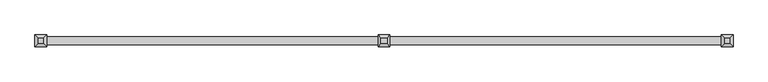
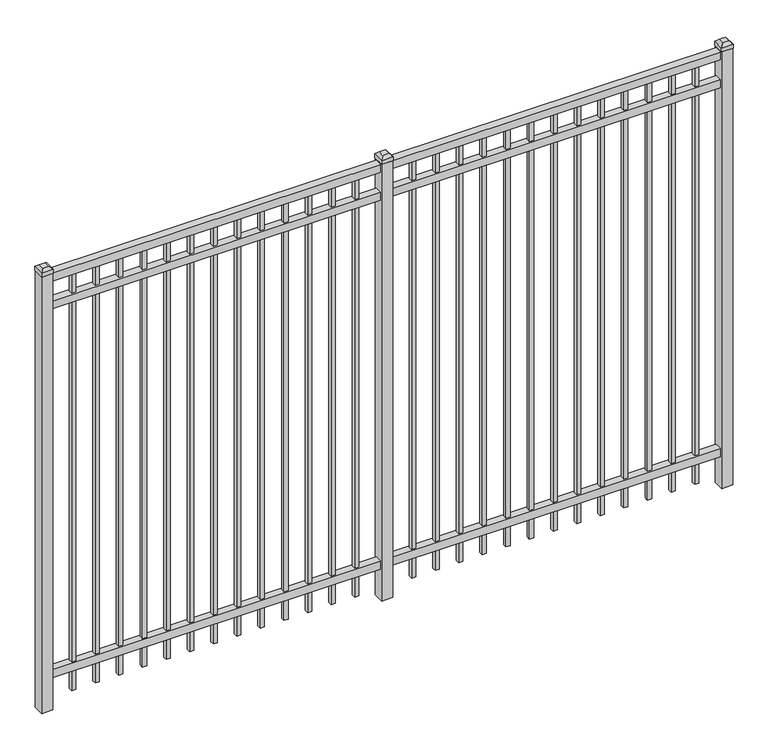
"""IFC4 building model written with IfcOpenShell, lengths in millimetres: railing geometry."""

from ifc_helpers import new_model, si_unit, frame, origin, origin_with_axes, place, context, project, spatial, polyline, outline, extrude, faceted_brep, source, transform, mapped, element, save


def railing_bd2c00b3(model_context):
    return source(origin(), model_context, "Body", "SolidModel", [
        extrude(outline(polyline([(-61345.318087, -3091.1195174), (-61345.318087, -3056.1945174), (-58195.718087, -3056.1945174), (-58195.718087, -3091.1195174), (-61345.318087, -3091.1195174)])), frame((0.0, 0.0, 2095.5), z_axis=(0.0, 0.0, 1.0), x_axis=(1.0, 0.0, 0.0)), (0.0, 0.0, 1.0), 38.1),
        extrude(outline(polyline([(-61345.318087, -3091.1195174), (-61345.318087, -3056.1945174), (-58195.718087, -3056.1945174), (-58195.718087, -3091.1195174), (-61345.318087, -3091.1195174)])), frame((0.0, 0.0, 1958.975), z_axis=(0.0, 0.0, 1.0), x_axis=(1.0, 0.0, 0.0)), (0.0, 0.0, 1.0), 38.1),
        extrude(outline(polyline([(-61345.318087, -3091.1195174), (-61345.318087, -3056.1945174), (-58195.718087, -3056.1945174), (-58195.718087, -3091.1195174), (-61345.318087, -3091.1195174)])), frame((0.0, 0.0, 152.4), z_axis=(0.0, 0.0, 1.0), x_axis=(1.0, 0.0, 0.0)), (0.0, 0.0, 1.0), 38.1),
        extrude(outline(polyline([(-58427.2285036, -3064.1320174), (-58427.2285036, -3083.1820174), (-58446.2785036, -3083.1820174), (-58446.2785036, -3064.1320174), (-58427.2285036, -3064.1320174)])), frame((0.0, 0.0, 50.8), z_axis=(0.0, 0.0, 1.0), x_axis=(1.0, 0.0, 0.0)), (0.0, 0.0, 1.0), 2044.7),
        extrude(outline(polyline([(-58536.5014203, -3064.1320174), (-58536.5014203, -3083.1820174), (-58555.5514203, -3083.1820174), (-58555.5514203, -3064.1320174), (-58536.5014203, -3064.1320174)])), frame((0.0, 0.0, 50.8), z_axis=(0.0, 0.0, 1.0), x_axis=(1.0, 0.0, 0.0)), (0.0, 0.0, 1.0), 2044.7),
        extrude(outline(polyline([(-58645.774337, -3064.1320174), (-58645.774337, -3083.1820174), (-58664.824337, -3083.1820174), (-58664.824337, -3064.1320174), (-58645.774337, -3064.1320174)])), frame((0.0, 0.0, 50.8), z_axis=(0.0, 0.0, 1.0), x_axis=(1.0, 0.0, 0.0)), (0.0, 0.0, 1.0), 2044.7),
        extrude(outline(polyline([(-58755.0472536, -3064.1320174), (-58755.0472536, -3083.1820174), (-58774.0972536, -3083.1820174), (-58774.0972536, -3064.1320174), (-58755.0472536, -3064.1320174)])), frame((0.0, 0.0, 50.8), z_axis=(0.0, 0.0, 1.0), x_axis=(1.0, 0.0, 0.0)), (0.0, 0.0, 1.0), 2044.7),
        extrude(outline(polyline([(-58864.3201703, -3064.1320174), (-58864.3201703, -3083.1820174), (-58883.3701703, -3083.1820174), (-58883.3701703, -3064.1320174), (-58864.3201703, -3064.1320174)])), frame((0.0, 0.0, 50.8), z_axis=(0.0, 0.0, 1.0), x_axis=(1.0, 0.0, 0.0)), (0.0, 0.0, 1.0), 2044.7),
        extrude(outline(polyline([(-58973.593087, -3064.1320174), (-58973.593087, -3083.1820174), (-58992.643087, -3083.1820174), (-58992.643087, -3064.1320174), (-58973.593087, -3064.1320174)])), frame((0.0, 0.0, 50.8), z_axis=(0.0, 0.0, 1.0), x_axis=(1.0, 0.0, 0.0)), (0.0, 0.0, 1.0), 2044.7),
        extrude(outline(polyline([(-59082.8660036, -3064.1320174), (-59082.8660036, -3083.1820174), (-59101.9160036, -3083.1820174), (-59101.9160036, -3064.1320174), (-59082.8660036, -3064.1320174)])), frame((0.0, 0.0, 50.8), z_axis=(0.0, 0.0, 1.0), x_axis=(1.0, 0.0, 0.0)), (0.0, 0.0, 1.0), 2044.7),
        extrude(outline(polyline([(-59192.1389203, -3064.1320174), (-59192.1389203, -3083.1820174), (-59211.1889203, -3083.1820174), (-59211.1889203, -3064.1320174), (-59192.1389203, -3064.1320174)])), frame((0.0, 0.0, 50.8), z_axis=(0.0, 0.0, 1.0), x_axis=(1.0, 0.0, 0.0)), (0.0, 0.0, 1.0), 2044.7),
        extrude(outline(polyline([(-59301.411837, -3064.1320174), (-59301.411837, -3083.1820174), (-59320.461837, -3083.1820174), (-59320.461837, -3064.1320174), (-59301.411837, -3064.1320174)])), frame((0.0, 0.0, 50.8), z_axis=(0.0, 0.0, 1.0), x_axis=(1.0, 0.0, 0.0)), (0.0, 0.0, 1.0), 2044.7),
        extrude(outline(polyline([(-59410.6847536, -3064.1320174), (-59410.6847536, -3083.1820174), (-59429.7347536, -3083.1820174), (-59429.7347536, -3064.1320174), (-59410.6847536, -3064.1320174)])), frame((0.0, 0.0, 50.8), z_axis=(0.0, 0.0, 1.0), x_axis=(1.0, 0.0, 0.0)), (0.0, 0.0, 1.0), 2044.7),
        extrude(outline(polyline([(-59519.9576703, -3064.1320174), (-59519.9576703, -3083.1820174), (-59539.0076703, -3083.1820174), (-59539.0076703, -3064.1320174), (-59519.9576703, -3064.1320174)])), frame((0.0, 0.0, 50.8), z_axis=(0.0, 0.0, 1.0), x_axis=(1.0, 0.0, 0.0)), (0.0, 0.0, 1.0), 2044.7),
        extrude(outline(polyline([(-58317.955587, -3064.1320174), (-58317.955587, -3083.1820174), (-58337.005587, -3083.1820174), (-58337.005587, -3064.1320174), (-58317.955587, -3064.1320174)])), frame((0.0, 0.0, 50.8), z_axis=(0.0, 0.0, 1.0), x_axis=(1.0, 0.0, 0.0)), (0.0, 0.0, 1.0), 2044.7),
        extrude(outline(polyline([(-59629.230587, -3064.1320174), (-59629.230587, -3083.1820174), (-59648.280587, -3083.1820174), (-59648.280587, -3064.1320174), (-59629.230587, -3064.1320174)])), frame((0.0, 0.0, 50.8), z_axis=(0.0, 0.0, 1.0), x_axis=(1.0, 0.0, 0.0)), (0.0, 0.0, 1.0), 2044.7),
        extrude(outline(polyline([(-59745.118087, -3048.2570174), (-59745.118087, -3099.0570174), (-59795.918087, -3099.0570174), (-59795.918087, -3048.2570174), (-59745.118087, -3048.2570174)])), origin_with_axes(), (0.0, 0.0, 1.0), 2139.95),
        faceted_brep([(-59797.505587, -3046.6695174, 2159.0), (-59797.505587, -3046.6695174, 2139.95), (-59797.505587, -3100.6445174, 2139.95), (-59797.505587, -3100.6445174, 2159.0), (-59784.805587, -3059.3695174, 2171.7), (-59784.805587, -3087.9445174, 2171.7), (-59743.530587, -3100.6445174, 2139.95), (-59743.530587, -3100.6445174, 2159.0), (-59756.230587, -3087.9445174, 2171.7), (-59743.530587, -3046.6695174, 2139.95), (-59743.530587, -3046.6695174, 2159.0), (-59756.230587, -3059.3695174, 2171.7)], [[[0, 1, 2, 3]], [[4, 0, 3, 5]], [[3, 2, 6, 7]], [[5, 3, 7, 8]], [[7, 6, 9, 10]], [[8, 7, 10, 11]], [[10, 9, 1, 0]], [[11, 10, 0, 4]], [[5, 8, 11, 4]], [[1, 9, 6, 2]]]),
        extrude(outline(polyline([(-60002.0285036, -3064.1320174), (-60002.0285036, -3083.1820174), (-60021.0785036, -3083.1820174), (-60021.0785036, -3064.1320174), (-60002.0285036, -3064.1320174)])), frame((0.0, 0.0, 50.8), z_axis=(0.0, 0.0, 1.0), x_axis=(1.0, 0.0, 0.0)), (0.0, 0.0, 1.0), 2044.7),
        extrude(outline(polyline([(-60111.3014203, -3064.1320174), (-60111.3014203, -3083.1820174), (-60130.3514203, -3083.1820174), (-60130.3514203, -3064.1320174), (-60111.3014203, -3064.1320174)])), frame((0.0, 0.0, 50.8), z_axis=(0.0, 0.0, 1.0), x_axis=(1.0, 0.0, 0.0)), (0.0, 0.0, 1.0), 2044.7),
        extrude(outline(polyline([(-60220.574337, -3064.1320174), (-60220.574337, -3083.1820174), (-60239.624337, -3083.1820174), (-60239.624337, -3064.1320174), (-60220.574337, -3064.1320174)])), frame((0.0, 0.0, 50.8), z_axis=(0.0, 0.0, 1.0), x_axis=(1.0, 0.0, 0.0)), (0.0, 0.0, 1.0), 2044.7),
        extrude(outline(polyline([(-60329.8472536, -3064.1320174), (-60329.8472536, -3083.1820174), (-60348.8972536, -3083.1820174), (-60348.8972536, -3064.1320174), (-60329.8472536, -3064.1320174)])), frame((0.0, 0.0, 50.8), z_axis=(0.0, 0.0, 1.0), x_axis=(1.0, 0.0, 0.0)), (0.0, 0.0, 1.0), 2044.7),
        extrude(outline(polyline([(-60439.1201703, -3064.1320174), (-60439.1201703, -3083.1820174), (-60458.1701703, -3083.1820174), (-60458.1701703, -3064.1320174), (-60439.1201703, -3064.1320174)])), frame((0.0, 0.0, 50.8), z_axis=(0.0, 0.0, 1.0), x_axis=(1.0, 0.0, 0.0)), (0.0, 0.0, 1.0), 2044.7),
        extrude(outline(polyline([(-60548.393087, -3064.1320174), (-60548.393087, -3083.1820174), (-60567.443087, -3083.1820174), (-60567.443087, -3064.1320174), (-60548.393087, -3064.1320174)])), frame((0.0, 0.0, 50.8), z_axis=(0.0, 0.0, 1.0), x_axis=(1.0, 0.0, 0.0)), (0.0, 0.0, 1.0), 2044.7),
        extrude(outline(polyline([(-60657.6660036, -3064.1320174), (-60657.6660036, -3083.1820174), (-60676.7160036, -3083.1820174), (-60676.7160036, -3064.1320174), (-60657.6660036, -3064.1320174)])), frame((0.0, 0.0, 50.8), z_axis=(0.0, 0.0, 1.0), x_axis=(1.0, 0.0, 0.0)), (0.0, 0.0, 1.0), 2044.7),
        extrude(outline(polyline([(-60766.9389203, -3064.1320174), (-60766.9389203, -3083.1820174), (-60785.9889203, -3083.1820174), (-60785.9889203, -3064.1320174), (-60766.9389203, -3064.1320174)])), frame((0.0, 0.0, 50.8), z_axis=(0.0, 0.0, 1.0), x_axis=(1.0, 0.0, 0.0)), (0.0, 0.0, 1.0), 2044.7),
        extrude(outline(polyline([(-60876.211837, -3064.1320174), (-60876.211837, -3083.1820174), (-60895.261837, -3083.1820174), (-60895.261837, -3064.1320174), (-60876.211837, -3064.1320174)])), frame((0.0, 0.0, 50.8), z_axis=(0.0, 0.0, 1.0), x_axis=(1.0, 0.0, 0.0)), (0.0, 0.0, 1.0), 2044.7),
        extrude(outline(polyline([(-60985.4847536, -3064.1320174), (-60985.4847536, -3083.1820174), (-61004.5347536, -3083.1820174), (-61004.5347536, -3064.1320174), (-60985.4847536, -3064.1320174)])), frame((0.0, 0.0, 50.8), z_axis=(0.0, 0.0, 1.0), x_axis=(1.0, 0.0, 0.0)), (0.0, 0.0, 1.0), 2044.7),
        extrude(outline(polyline([(-61094.7576703, -3064.1320174), (-61094.7576703, -3083.1820174), (-61113.8076703, -3083.1820174), (-61113.8076703, -3064.1320174), (-61094.7576703, -3064.1320174)])), frame((0.0, 0.0, 50.8), z_axis=(0.0, 0.0, 1.0), x_axis=(1.0, 0.0, 0.0)), (0.0, 0.0, 1.0), 2044.7),
        extrude(outline(polyline([(-59892.755587, -3064.1320174), (-59892.755587, -3083.1820174), (-59911.805587, -3083.1820174), (-59911.805587, -3064.1320174), (-59892.755587, -3064.1320174)])), frame((0.0, 0.0, 50.8), z_axis=(0.0, 0.0, 1.0), x_axis=(1.0, 0.0, 0.0)), (0.0, 0.0, 1.0), 2044.7),
        extrude(outline(polyline([(-61204.030587, -3064.1320174), (-61204.030587, -3083.1820174), (-61223.080587, -3083.1820174), (-61223.080587, -3064.1320174), (-61204.030587, -3064.1320174)])), frame((0.0, 0.0, 50.8), z_axis=(0.0, 0.0, 1.0), x_axis=(1.0, 0.0, 0.0)), (0.0, 0.0, 1.0), 2044.7),
        extrude(outline(polyline([(-58170.318087, -3048.2570174), (-58170.318087, -3099.0570174), (-58221.118087, -3099.0570174), (-58221.118087, -3048.2570174), (-58170.318087, -3048.2570174)])), origin_with_axes(), (0.0, 0.0, 1.0), 2139.95),
        faceted_brep([(-58222.705587, -3046.6695174, 2159.0), (-58222.705587, -3046.6695174, 2139.95), (-58222.705587, -3100.6445174, 2139.95), (-58222.705587, -3100.6445174, 2159.0), (-58210.005587, -3059.3695174, 2171.7), (-58210.005587, -3087.9445174, 2171.7), (-58168.730587, -3100.6445174, 2139.95), (-58168.730587, -3100.6445174, 2159.0), (-58181.430587, -3087.9445174, 2171.7), (-58168.730587, -3046.6695174, 2139.95), (-58168.730587, -3046.6695174, 2159.0), (-58181.430587, -3059.3695174, 2171.7)], [[[0, 1, 2, 3]], [[4, 0, 3, 5]], [[3, 2, 6, 7]], [[5, 3, 7, 8]], [[7, 6, 9, 10]], [[8, 7, 10, 11]], [[10, 9, 1, 0]], [[11, 10, 0, 4]], [[5, 8, 11, 4]], [[1, 9, 6, 2]]]),
        extrude(outline(polyline([(-61319.918087, -3048.2570174), (-61319.918087, -3099.0570174), (-61370.718087, -3099.0570174), (-61370.718087, -3048.2570174), (-61319.918087, -3048.2570174)])), origin_with_axes(), (0.0, 0.0, 1.0), 2139.95),
        faceted_brep([(-61372.305587, -3046.6695174, 2159.0), (-61372.305587, -3046.6695174, 2139.95), (-61372.305587, -3100.6445174, 2139.95), (-61372.305587, -3100.6445174, 2159.0), (-61359.605587, -3059.3695174, 2171.7), (-61359.605587, -3087.9445174, 2171.7), (-61318.330587, -3100.6445174, 2139.95), (-61318.330587, -3100.6445174, 2159.0), (-61331.030587, -3087.9445174, 2171.7), (-61318.330587, -3046.6695174, 2139.95), (-61318.330587, -3046.6695174, 2159.0), (-61331.030587, -3059.3695174, 2171.7)], [[[0, 1, 2, 3]], [[4, 0, 3, 5]], [[3, 2, 6, 7]], [[5, 3, 7, 8]], [[7, 6, 9, 10]], [[8, 7, 10, 11]], [[10, 9, 1, 0]], [[11, 10, 0, 4]], [[5, 8, 11, 4]], [[1, 9, 6, 2]]]),
    ])


if __name__ == "__main__":
    model = new_model("IFC4")
    model_context = context("Model", 3, world=origin())
    ifc_project = project(units=[si_unit("LENGTHUNIT", "METRE", prefix="MILLI")], contexts=[model_context])
    site = spatial("IfcSite", under=ifc_project)
    building = spatial("IfcBuilding", under=site)
    placement = place(None, origin())
    railing_shape = railing_bd2c00b3(model_context)
    element("IfcRailing", 1, at=placement, inside=building, context=model_context, shape_type="MappedRepresentation", body=[
        mapped(railing_shape, transform((0.0, 0.0, 0.0), x_axis=(1.0, 0.0, 0.0), y_axis=(0.0, 1.0, 0.0), z_axis=(0.0, 0.0, 1.0))),
    ])
    save(model, "model.ifc")
